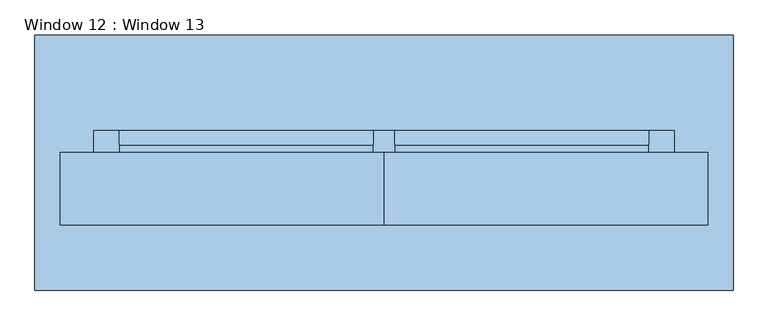
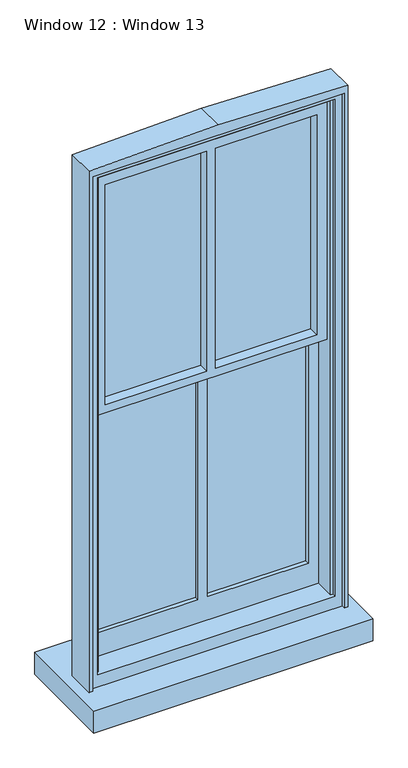
"""IFC4 building model written with IfcOpenShell, lengths in millimetres: window geometry, Window 12 : Window 13."""

from ifc_helpers import new_model, si_unit, frame, origin, place, context, project, spatial, polyline, outline, extrude, source, transform, mapped, element, save


def window_12_window_13_e2261aa7(model_context):
    return source(origin(), model_context, "Body", "SweptSolid", [
        extrude(outline(polyline([(609.6, -242.8287138), (-609.6, -242.8287138), (-609.6, 203.2), (609.6, 203.2), (609.6, -242.8287138)])), frame((0.0, 0.0, 914.4), z_axis=(0.0, 0.0, 1.0), x_axis=(1.0, 0.0, 0.0)), (0.0, 0.0, 1.0), 101.6),
        extrude(outline(polyline([(3365.4592104, 518.4796197), (3365.4592104, -518.4796197), (1072.7482803, -518.4796197), (1072.7482803, -507.089567), (3352.7592104, -507.089567), (3352.7592104, 507.089567), (1072.7482803, 507.089567), (1072.7482803, 518.4796197), (3365.4592104, 518.4796197)])), frame((0.0, -98.2129229, 0.0), z_axis=(0.0, 1.0, 0.0), x_axis=(0.0, 0.0, 1.0)), (0.0, 0.0, 1.0), 95.4189229),
        extrude(outline(polyline([(3390.5004649, 549.7583227), (3390.5004649, -549.7583227), (1016.0, -549.7583227), (1016.0, 549.7583227), (3390.5004649, 549.7583227)]), holes=[polyline([(1072.7482803, -518.4796197), (3365.4592104, -518.4796197), (3365.4592104, 518.4796197), (1072.7482803, 518.4796197), (1072.7482803, -518.4796197)])]), frame((0.0, -113.5200675, 0.0), z_axis=(0.0, 1.0, 0.0), x_axis=(0.0, 0.0, 1.0)), (0.0, 0.0, 1.0), 110.7260675),
        extrude(outline(polyline([(3421.0502812, 565.15), (3437.4448291, 0.0), (3421.0502812, -565.15), (1016.0, -565.15), (1016.0, -549.7583227), (3390.5004649, -549.7583227), (3390.5004649, 549.7583227), (1016.0, 549.7583227), (1016.0, 565.15), (3421.0502812, 565.15)])), frame((0.0, -128.8272122, 0.0), z_axis=(0.0, 1.0, 0.0), x_axis=(0.0, 0.0, 1.0)), (0.0, 0.0, 1.0), 126.0332122),
        extrude(outline(polyline([(-19.05, -28.194), (-461.9370405, -28.194), (-461.9370405, -2.794), (-19.05, -2.794), (-19.05, -28.194)])), frame((0.0, 0.0, 2274.5813993), z_axis=(0.0, 0.0, 1.0), x_axis=(1.0, 0.0, 0.0)), (0.0, 0.0, 1.0), 1014.6778111),
        extrude(outline(polyline([(461.9370405, -28.194), (19.05, -28.194), (19.05, -2.794), (461.9370405, -2.794), (461.9370405, -28.194)])), frame((0.0, 0.0, 2274.5813993), z_axis=(0.0, 0.0, 1.0), x_axis=(1.0, 0.0, 0.0)), (0.0, 0.0, 1.0), 1014.6778111),
        extrude(outline(polyline([(3352.7592104, 507.089567), (3352.7592104, -507.089567), (2236.4813993, -507.089567), (2236.4813993, 507.089567), (3352.7592104, 507.089567)]), holes=[polyline([(3289.2592104, -19.05), (2274.5813993, -19.05), (2274.5813993, -461.9370405), (3289.2592104, -461.9370405), (3289.2592104, -19.05)]), polyline([(3289.2592104, 461.9370405), (2274.5813993, 461.9370405), (2274.5813993, 19.05), (3289.2592104, 19.05), (3289.2592104, 461.9370405)])]), frame((0.0, -73.0059065, 0.0), z_axis=(0.0, 1.0, 0.0), x_axis=(0.0, 0.0, 1.0)), (0.0, 0.0, 1.0), 70.2119065),
        extrude(outline(polyline([(-19.05, 10.668), (-462.639567, 10.668), (-462.639567, 36.0511754), (-19.05, 36.0511754), (-19.05, 10.668)])), frame((0.0, 0.0, 1180.6982803), z_axis=(0.0, 0.0, 1.0), x_axis=(1.0, 0.0, 0.0)), (0.0, 0.0, 1.0), 1017.683119),
        extrude(outline(polyline([(462.639567, 10.668), (19.05, 10.668), (19.05, 36.0511754), (462.639567, 36.0511754), (462.639567, 10.668)])), frame((0.0, 0.0, 1180.6982803), z_axis=(0.0, 0.0, 1.0), x_axis=(1.0, 0.0, 0.0)), (0.0, 0.0, 1.0), 1017.683119),
        extrude(outline(polyline([(2198.3813993, -462.639567), (2198.3813993, -507.089567), (1072.7482803, -507.089567), (1072.7482803, 507.089567), (2198.3813993, 507.089567), (2198.3813993, 462.639567), (1180.6982803, 462.639567), (1180.6982803, 19.05), (2198.3813993, 19.05), (2198.3813993, -19.05), (1180.6982803, -19.05), (1180.6982803, -462.639567), (2198.3813993, -462.639567)])), frame((0.0, -8.3988246, 0.0), z_axis=(0.0, 1.0, 0.0), x_axis=(0.0, 0.0, 1.0)), (0.0, 0.0, 1.0), 44.45),
    ])


if __name__ == "__main__":
    model = new_model("IFC4")
    model_context = context("Model", 3, world=origin())
    ifc_project = project(units=[si_unit("LENGTHUNIT", "METRE", prefix="MILLI")], contexts=[model_context])
    site = spatial("IfcSite", under=ifc_project)
    building = spatial("IfcBuilding", under=site)
    placement = place(None, origin())
    window_12_window_13_shape = window_12_window_13_e2261aa7(model_context)
    element("IfcWindow", 1, ObjectType="Window 12 : Window 13", at=placement, inside=building, context=model_context, shape_type="MappedRepresentation", body=[
        mapped(window_12_window_13_shape, transform((0.0, 0.0, 0.0), x_axis=(1.0, 0.0, 0.0), y_axis=(0.0, 1.0, 0.0), z_axis=(0.0, 0.0, 1.0))),
    ])
    save(model, "model.ifc")
